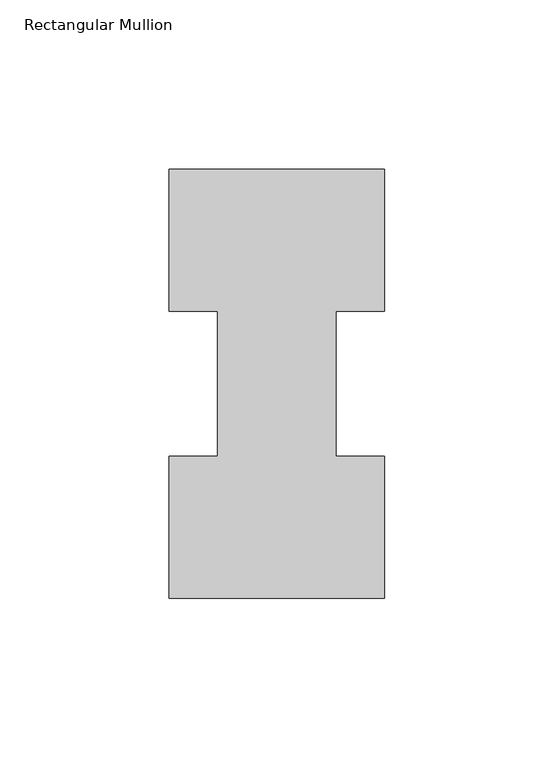
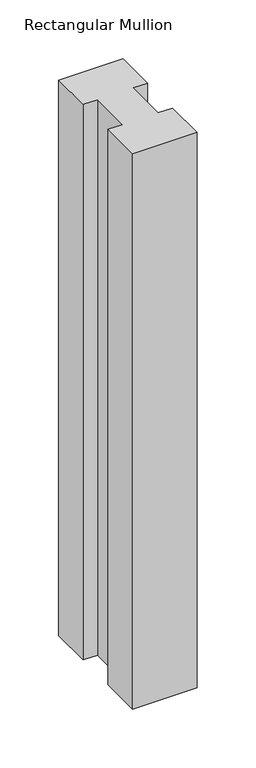
"""IFC4 building model written with IfcOpenShell, lengths in millimetres: member geometry, Rectangular Mullion."""

from ifc_helpers import new_model, si_unit, frame, origin, place, context, project, spatial, polyline, outline, extrude, source, transform, mapped, element, save


def rectangular_mullion_7afdeb1f(model_context):
    return source(origin(), model_context, "Body", "SweptSolid", [
        extrude(outline(polyline([(-63.5, 0.2967757), (-63.5, 42.1178757), (-49.2125, 42.1178757), (-49.2125, 84.93125), (-63.5, 84.93125), (-63.5, 126.7887757), (0.0, 126.7887757), (0.0, 84.93125), (-14.2748, 84.93125), (-14.2748, 42.1178757), (0.0, 42.1178757), (0.0, 0.2967757), (-63.5, 0.2967757)])), frame((0.0, 0.0, -577.8563826), z_axis=(0.0, 0.0, 1.0), x_axis=(1.0, 0.0, 0.0)), (0.0, 0.0, 1.0), 577.8563826),
    ])


if __name__ == "__main__":
    model = new_model("IFC4")
    model_context = context("Model", 3, world=origin())
    ifc_project = project(units=[si_unit("LENGTHUNIT", "METRE", prefix="MILLI")], contexts=[model_context])
    site = spatial("IfcSite", under=ifc_project)
    building = spatial("IfcBuilding", under=site)
    placement = place(None, origin())
    rectangular_mullion_shape = rectangular_mullion_7afdeb1f(model_context)
    element("IfcMember", 1, ObjectType="Rectangular Mullion", at=placement, inside=building, context=model_context, shape_type="MappedRepresentation", body=[
        mapped(rectangular_mullion_shape, transform((0.0, 0.0, 0.0), x_axis=(1.0, 0.0, 0.0), y_axis=(0.0, 1.0, 0.0), z_axis=(0.0, 0.0, 1.0))),
    ])
    save(model, "model.ifc")
